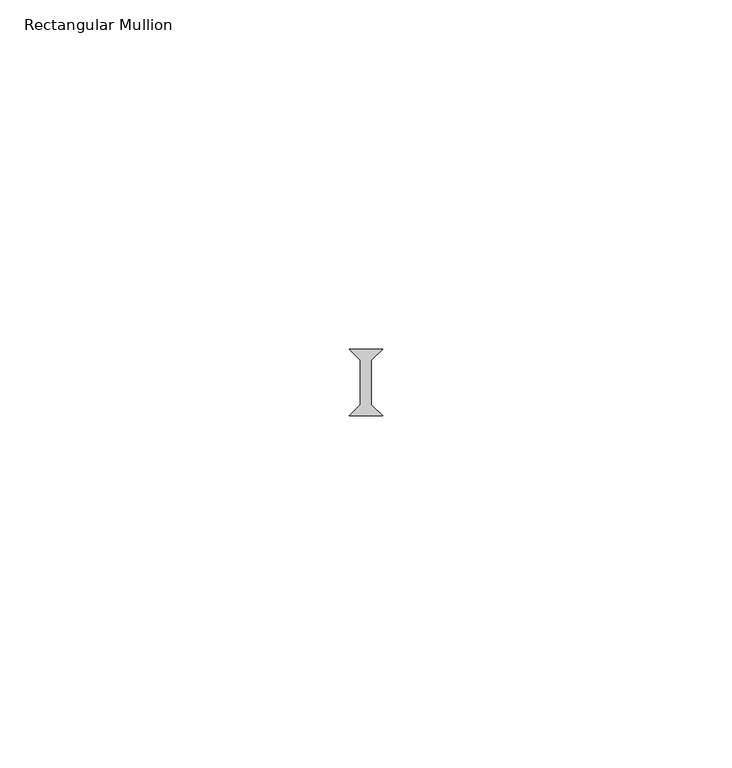
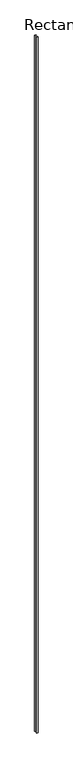
"""IFC4 building model written with IfcOpenShell, lengths in millimetres: member geometry, Rectangular Mullion."""

from ifc_helpers import new_model, si_unit, frame, origin, place, context, project, spatial, polyline, outline, extrude, source, transform, mapped, element, save


def rectangular_mullion_b9903625(model_context):
    return source(origin(), model_context, "Body", "SweptSolid", [
        extrude(outline(polyline([(-2.38125, 25.4), (-0.79375, 26.9875), (-0.79375, 33.3375), (-2.38125, 34.925), (2.38125, 34.925), (0.79375, 33.3375), (0.79375, 26.9875), (2.38125, 25.4), (-2.38125, 25.4)])), frame((0.0, 0.0, -2359.025), z_axis=(0.0, 0.0, 1.0), x_axis=(1.0, 0.0, 0.0)), (0.0, 0.0, 1.0), 2359.025),
    ])


if __name__ == "__main__":
    model = new_model("IFC4")
    model_context = context("Model", 3, world=origin())
    ifc_project = project(units=[si_unit("LENGTHUNIT", "METRE", prefix="MILLI")], contexts=[model_context])
    site = spatial("IfcSite", under=ifc_project)
    building = spatial("IfcBuilding", under=site)
    placement = place(None, origin())
    rectangular_mullion_shape = rectangular_mullion_b9903625(model_context)
    element("IfcMember", 1, ObjectType="Rectangular Mullion", at=placement, inside=building, context=model_context, shape_type="MappedRepresentation", body=[
        mapped(rectangular_mullion_shape, transform((0.0, 0.0, 0.0), x_axis=(1.0, 0.0, 0.0), y_axis=(0.0, 1.0, 0.0), z_axis=(0.0, 0.0, 1.0))),
    ])
    save(model, "model.ifc")
